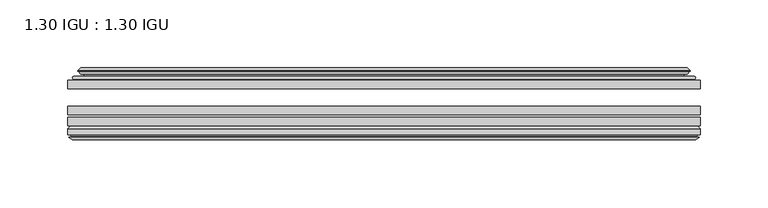
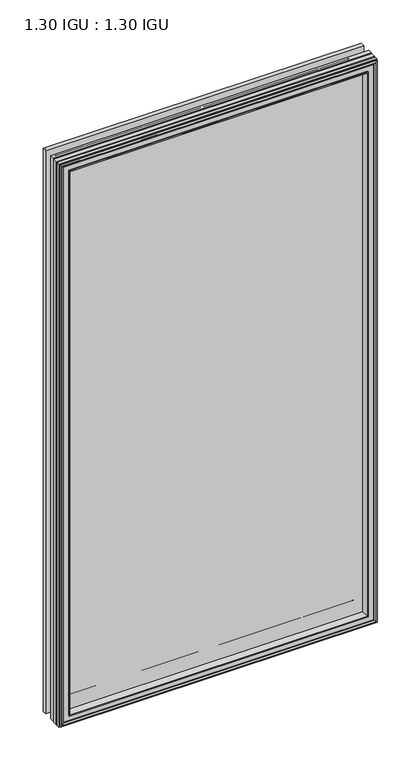
"""IFC4 building model written with IfcOpenShell, lengths in millimetres: plate geometry, 1.30 IGU : 1.30 IGU."""

from ifc_helpers import new_model, si_unit, frame, origin, place, context, project, spatial, polyline, ellipse_curve, outline, extrude, faceted_brep, source, transform, mapped, element, save
from ifc_brep_helpers import plane_surface, cylinder_surface, revolved_surface, advanced_brep


def plate_1_30_igu_1_30_igu_1c3c0abe(model_context):
    return source(origin(), model_context, "Body", "SolidModel", [
        extrude(outline(polyline([(233.2796782, -44.92625), (233.2796782, -51.27625), (-233.346625, -51.27625), (-233.346625, -44.92625), (233.2796782, -44.92625)])), frame((0.0, 0.0, -14.2875), z_axis=(0.0, 0.0, 1.0), x_axis=(1.0, 0.0, 0.0)), (0.0, 0.0, 1.0), 873.125),
        extrude(outline(polyline([(-233.346625, -78.58125), (-233.346625, -72.23125), (233.2796782, -72.23125), (233.2796782, -78.58125), (-233.346625, -78.58125)])), frame((0.0, 0.0, -14.2875), z_axis=(0.0, 0.0, 1.0), x_axis=(1.0, 0.0, 0.0)), (0.0, 0.0, 1.0), 873.125),
        extrude(outline(polyline([(-233.346625, -70.32625), (-233.346625, -63.97625), (233.2796782, -63.97625), (233.2796782, -70.32625), (-233.346625, -70.32625)])), frame((0.0, 0.0, -14.2875), z_axis=(0.0, 0.0, 1.0), x_axis=(1.0, 0.0, 0.0)), (0.0, 0.0, 1.0), 873.125),
        advanced_brep(
        [(-215.0114152, -43.8351483, 840.5022902), (-215.4532254, -44.92625, 840.9441004), (-215.4532254, -44.92625, 3.6058996), (-215.0114152, -43.8351483, 4.0477098), (-219.059125, -36.11245, 844.55), (-219.059125, -36.11245, 0.0), (-224.2450359, -37.2935491, 849.7359109), (-224.2450359, -37.2935491, -5.1859109), (-223.9154606, -36.4664324, 849.4063356), (-223.9154606, -36.4664324, -4.8563356), (-223.9154606, -35.6521812, 849.4063356), (-223.9154606, -35.6521812, -4.8563356), (-225.7317361, -37.610817, 851.2226111), (-225.7317361, -37.610817, -6.6726111), (-225.7317361, -38.3239429, 851.2226111), (-225.7317361, -38.3239429, -6.6726111), (-223.9154606, -40.2727974, 849.4063356), (-223.9154606, -40.2727974, -4.8563356), (-223.9154606, -39.4683275, 849.4063356), (-223.9154606, -39.4683275, -4.8563356), (-224.2373751, -38.6604367, 849.7282501), (-224.2373751, -38.6604367, -5.1782501), (-221.7135629, -38.502045, 847.2044379), (-221.7135629, -38.502045, -2.6544379), (-220.6877467, -39.1897544, 846.1786217), (-220.6877467, -39.1897544, -1.6286217), (-220.8061538, -40.5842231, 846.2970288), (-220.8061538, -40.5842231, -1.7470288), (-221.4078998, -42.08145, 846.8987748), (-221.4078998, -42.08145, -2.3487748), (-229.3336803, -43.9898729, 854.8245553), (-228.8480495, -42.08145, 854.3389245), (-228.8480495, -42.08145, -9.7889245), (-229.3336803, -43.9898729, -10.2745553), (-227.6129405, -44.92625, 853.1038155), (-227.6129405, -44.92625, -8.5538155), (215.4532254, -44.92625, 3.6058996), (215.0114152, -43.8351483, 4.0477098), (219.059125, -36.11245, 0.0), (224.2450359, -37.2935491, -5.1859109), (223.9154606, -36.4664324, -4.8563356), (223.9154606, -35.6521812, -4.8563356), (225.7317361, -37.610817, -6.6726111), (225.7317361, -38.3239429, -6.6726111), (223.9154606, -40.2727974, -4.8563356), (223.9154606, -39.4683275, -4.8563356), (224.2373751, -38.6604367, -5.1782501), (221.7135629, -38.502045, -2.6544379), (220.6877467, -39.1897544, -1.6286217), (220.8061538, -40.5842231, -1.7470288), (221.4078998, -42.08145, -2.3487748), (228.8480495, -42.08145, -9.7889245), (229.3336803, -43.9898729, -10.2745553), (227.6129405, -44.92625, -8.5538155), (215.4532254, -44.92625, 840.9441004), (215.0114152, -43.8351483, 840.5022902), (219.059125, -36.11245, 844.55), (224.2450359, -37.2935491, 849.7359109), (223.9154606, -36.4664324, 849.4063356), (223.9154606, -35.6521812, 849.4063356), (225.7317361, -37.610817, 851.2226111), (225.7317361, -38.3239429, 851.2226111), (223.9154606, -40.2727974, 849.4063356), (223.9154606, -39.4683275, 849.4063356), (224.2373751, -38.6604367, 849.7282501), (221.7135629, -38.502045, 847.2044379), (220.6877467, -39.1897544, 846.1786217), (220.8061538, -40.5842231, 846.2970288), (221.4078998, -42.08145, 846.8987748), (228.8480495, -42.08145, 854.3389245), (229.3336803, -43.9898729, 854.8245553), (227.6129405, -44.92625, 853.1038155)],
        [
            (0, 1, ellipse_curve(frame((-215.4532254, -44.29125, 840.9441004), z_axis=(-0.7071067811865475, 0.0, -0.7071067811865475), x_axis=(-0.7071067811865474, 0.0, 0.7071067811865476)), 0.8980256, 0.635)),
            (1, 2),
            (2, 3, ellipse_curve(frame((-215.4532254, -44.29125, 3.6058996), z_axis=(-0.7071067811865475, 0.0, 0.7071067811865475), x_axis=(0.7071067811865474, 0.0, 0.7071067811865476)), 0.8980256, 0.635)),
            (3, 0),
            (4, 0, ellipse_curve(frame((-205.3263304, -33.8367745, 830.8172054), z_axis=(0.7071067811865475, 0.0, 0.7071067811865475), x_axis=(0.7071067811865474, 0.0, -0.7071067811865476)), 19.6859517, 13.9200699)),
            (3, 5, ellipse_curve(frame((-205.3263304, -33.8367745, 13.7327946), z_axis=(0.7071067811865475, 0.0, -0.7071067811865475), x_axis=(-0.7071067811865474, 0.0, -0.7071067811865476)), 19.6859517, 13.9200699)),
            (5, 4),
            (6, 4),
            (5, 7),
            (7, 6),
            (8, 6),
            (7, 9),
            (9, 8),
            (10, 8),
            (9, 11),
            (11, 10),
            (12, 10),
            (11, 13),
            (13, 12),
            (14, 12, ellipse_curve(frame((-225.3698979, -37.96738, 850.8607729), z_axis=(-0.7071067811865475, 0.0, -0.7071067811865475), x_axis=(-0.7071067811865474, 0.0, 0.7071067811865476)), 0.7184205, 0.508)),
            (13, 15, ellipse_curve(frame((-225.3698979, -37.96738, -6.3107729), z_axis=(-0.7071067811865475, 0.0, 0.7071067811865475), x_axis=(0.7071067811865474, 0.0, 0.7071067811865476)), 0.7184205, 0.508)),
            (15, 14),
            (16, 14),
            (15, 17),
            (17, 16),
            (18, 16),
            (17, 19),
            (19, 18),
            (20, 18),
            (19, 21),
            (21, 20),
            (22, 20),
            (21, 23),
            (23, 22),
            (24, 22, ellipse_curve(frame((-221.649925, -39.51605, 847.1408), z_axis=(0.7071067811865475, 0.0, 0.7071067811865475), x_axis=(0.7071067811865474, 0.0, -0.7071067811865476)), 1.436841, 1.016)),
            (23, 25, ellipse_curve(frame((-221.649925, -39.51605, -2.5908), z_axis=(0.7071067811865475, 0.0, -0.7071067811865475), x_axis=(-0.7071067811865474, 0.0, -0.7071067811865476)), 1.436841, 1.016)),
            (25, 24),
            (26, 24, ellipse_curve(frame((-223.021525, -39.69385, 848.5124), z_axis=(0.7071067811865475, 0.0, 0.7071067811865475), x_axis=(0.7071067811865474, 0.0, -0.7071067811865476)), 3.3765763, 2.3876)),
            (25, 27, ellipse_curve(frame((-223.021525, -39.69385, -3.9624), z_axis=(0.7071067811865475, 0.0, -0.7071067811865475), x_axis=(-0.7071067811865474, 0.0, -0.7071067811865476)), 3.3765763, 2.3876)),
            (27, 26),
            (28, 26),
            (27, 29),
            (29, 28),
            (30, 31, ellipse_curve(frame((-228.8480495, -43.09745, 854.3389245), z_axis=(-0.7071067811865475, 0.0, -0.7071067811865475), x_axis=(-0.7071067811865474, 0.0, 0.7071067811865476)), 1.436841, 1.016)),
            (31, 32),
            (32, 33, ellipse_curve(frame((-228.8480495, -43.09745, -9.7889245), z_axis=(-0.7071067811865475, 0.0, 0.7071067811865475), x_axis=(0.7071067811865474, 0.0, 0.7071067811865476)), 1.436841, 1.016)),
            (33, 30),
            (34, 30),
            (33, 35),
            (35, 34),
            (2, 36),
            (36, 37, ellipse_curve(frame((215.4532254, -44.29125, 3.6058996), z_axis=(-0.7071067811865475, 0.0, -0.7071067811865475), x_axis=(-0.7071067811865476, 0.0, 0.7071067811865474)), 0.8980256, 0.635)),
            (37, 3),
            (37, 38, ellipse_curve(frame((205.3263304, -33.8367745, 13.7327946), z_axis=(0.7071067811865475, 0.0, 0.7071067811865475), x_axis=(0.7071067811865476, 0.0, -0.7071067811865474)), 19.6859517, 13.9200699)),
            (38, 5),
            (38, 39),
            (39, 7),
            (39, 40),
            (40, 9),
            (40, 41),
            (41, 11),
            (41, 42),
            (42, 13),
            (42, 43, ellipse_curve(frame((225.3698979, -37.96738, -6.3107729), z_axis=(-0.7071067811865475, 0.0, -0.7071067811865475), x_axis=(-0.7071067811865476, 0.0, 0.7071067811865474)), 0.7184205, 0.508)),
            (43, 15),
            (43, 44),
            (44, 17),
            (44, 45),
            (45, 19),
            (45, 46),
            (46, 21),
            (46, 47),
            (47, 23),
            (47, 48, ellipse_curve(frame((221.649925, -39.51605, -2.5908), z_axis=(0.7071067811865475, 0.0, 0.7071067811865475), x_axis=(0.7071067811865476, 0.0, -0.7071067811865474)), 1.436841, 1.016)),
            (48, 25),
            (48, 49, ellipse_curve(frame((223.021525, -39.69385, -3.9624), z_axis=(0.7071067811865475, 0.0, 0.7071067811865475), x_axis=(0.7071067811865476, 0.0, -0.7071067811865474)), 3.3765763, 2.3876)),
            (49, 27),
            (49, 50),
            (50, 29),
            (32, 51),
            (51, 52, ellipse_curve(frame((228.8480495, -43.09745, -9.7889245), z_axis=(-0.7071067811865475, 0.0, -0.7071067811865475), x_axis=(-0.7071067811865476, 0.0, 0.7071067811865474)), 1.436841, 1.016)),
            (52, 33),
            (52, 53),
            (53, 35),
            (36, 54),
            (54, 55, ellipse_curve(frame((215.4532254, -44.29125, 840.9441004), z_axis=(0.7071067811865475, 0.0, -0.7071067811865475), x_axis=(-0.7071067811865474, 0.0, -0.7071067811865476)), 0.8980256, 0.635)),
            (55, 37),
            (55, 56, ellipse_curve(frame((205.3263304, -33.8367745, 830.8172054), z_axis=(-0.7071067811865475, 0.0, 0.7071067811865475), x_axis=(0.7071067811865474, 0.0, 0.7071067811865476)), 19.6859517, 13.9200699)),
            (56, 38),
            (56, 57),
            (57, 39),
            (57, 58),
            (58, 40),
            (58, 59),
            (59, 41),
            (59, 60),
            (60, 42),
            (60, 61, ellipse_curve(frame((225.3698979, -37.96738, 850.8607729), z_axis=(0.7071067811865475, 0.0, -0.7071067811865475), x_axis=(-0.7071067811865474, 0.0, -0.7071067811865476)), 0.7184205, 0.508)),
            (61, 43),
            (61, 62),
            (62, 44),
            (62, 63),
            (63, 45),
            (63, 64),
            (64, 46),
            (64, 65),
            (65, 47),
            (65, 66, ellipse_curve(frame((221.649925, -39.51605, 847.1408), z_axis=(-0.7071067811865475, 0.0, 0.7071067811865475), x_axis=(0.7071067811865474, 0.0, 0.7071067811865476)), 1.436841, 1.016)),
            (66, 48),
            (66, 67, ellipse_curve(frame((223.021525, -39.69385, 848.5124), z_axis=(-0.7071067811865475, 0.0, 0.7071067811865475), x_axis=(0.7071067811865474, 0.0, 0.7071067811865476)), 3.3765763, 2.3876)),
            (67, 49),
            (67, 68),
            (68, 50),
            (51, 69),
            (69, 70, ellipse_curve(frame((228.8480495, -43.09745, 854.3389245), z_axis=(0.7071067811865475, 0.0, -0.7071067811865475), x_axis=(-0.7071067811865474, 0.0, -0.7071067811865476)), 1.436841, 1.016)),
            (70, 52),
            (70, 71),
            (71, 53),
            (54, 1),
            (0, 55),
            (4, 56),
            (6, 57),
            (8, 58),
            (10, 59),
            (12, 60),
            (14, 61),
            (16, 62),
            (18, 63),
            (20, 64),
            (22, 65),
            (24, 66),
            (26, 67),
            (28, 68),
            (31, 69),
            (30, 70),
            (34, 71),
        ],
        [
            cylinder_surface(frame((-215.4532254, -44.29125, 876.3), z_axis=(0.0, 0.0, 1.0), x_axis=(-1.0, 0.0, 0.0)), 0.635),
            revolved_surface(polyline([(-219.24640029999998, -33.8367745, -0.18727534118079348), (-219.24640029999998, -33.8367745, 844.7372753411809)]), (-205.3263304, -33.8367745, 876.3), (0.0, 0.0, -1.0)),
            plane_surface(frame((-219.059125, -36.11245, 844.55), z_axis=(-0.22206498442778658, 0.975031867525922, 0.0), x_axis=(0.0, 0.0, -1.0))),
            plane_surface(frame((-224.2450359, -37.2935491, 849.7359109), z_axis=(0.9289682685629922, -0.3701593656833182, 0.0), x_axis=(0.0, 0.0, -1.0))),
            plane_surface(frame((-223.9154606, -36.4664324, 849.4063356), z_axis=(1.0, 0.0, 0.0), x_axis=(0.0, 0.0, -1.0))),
            plane_surface(frame((-223.9154606, -35.6521812, 849.4063356), z_axis=(-0.7332521292723956, 0.6799568478348447, 0.0), x_axis=(0.0, 0.0, -1.0))),
            cylinder_surface(frame((-225.3698979, -37.96738, 876.3), z_axis=(0.0, 0.0, 1.0), x_axis=(-1.0, 0.0, 0.0)), 0.508),
            plane_surface(frame((-225.7317361, -38.3239429, 851.2226111), z_axis=(-0.7315522693036389, -0.6817853601220082, 0.0), x_axis=(0.0, 0.0, -1.0))),
            plane_surface(frame((-223.9154606, -40.2727974, 849.4063356), z_axis=(1.0, 0.0, 0.0), x_axis=(0.0, 0.0, -1.0))),
            plane_surface(frame((-223.9154606, -39.4683275, 849.4063356), z_axis=(0.9289682685631103, 0.37015936568302166, 0.0), x_axis=(0.0, 0.0, -1.0))),
            plane_surface(frame((-224.2373751, -38.6604367, 849.7282501), z_axis=(0.06263570119321644, -0.9980364567169048, 0.0), x_axis=(0.0, 0.0, -1.0))),
            revolved_surface(polyline([(-222.665925, -39.51605, -3.606800014586838), (-222.665925, -39.51605, 848.1568000145869)]), (-221.649925, -39.51605, 876.3), (0.0, 0.0, -1.0)),
            revolved_surface(polyline([(-225.409125, -39.69385, -6.3499999989237494), (-225.409125, -39.69385, 850.8999999989237)]), (-223.021525, -39.69385, 876.3), (0.0, 0.0, -1.0)),
            plane_surface(frame((-220.8061538, -40.5842231, 846.2970288), z_axis=(-0.9278652925428912, 0.372915538553028, 0.0), x_axis=(0.0, 0.0, -1.0))),
            cylinder_surface(frame((-228.8480495, -43.09745, 876.3), z_axis=(0.0, 0.0, 1.0), x_axis=(-1.0, 0.0, 0.0)), 1.016),
            plane_surface(frame((-229.3336803, -43.9898729, 854.8245553), z_axis=(-0.477983117370979, -0.8783690223979447, 0.0), x_axis=(0.0, 0.0, -1.0))),
            cylinder_surface(frame((-250.809125, -44.29125, 3.6058996), z_axis=(-1.0, 0.0, 0.0), x_axis=(0.0, 0.0, -1.0)), 0.635),
            revolved_surface(polyline([(219.2464003411808, -33.8367745, -0.1872752999999996), (-219.24640034118084, -33.8367745, -0.1872752999999996)]), (-250.809125, -33.8367745, 13.7327946), (1.0, 0.0, 0.0)),
            plane_surface(frame((-219.059125, -36.11245, 0.0), z_axis=(0.0, 0.9750318675259213, -0.22206498442778974), x_axis=(1.0, 0.0, 0.0))),
            plane_surface(frame((-224.2450359, -37.2935491, -5.1859109), z_axis=(0.0, -0.3701593656833152, 0.9289682685629934), x_axis=(1.0, 0.0, 0.0))),
            plane_surface(frame((-223.9154606, -36.4664324, -4.8563356), z_axis=(0.0, 0.0, 1.0), x_axis=(1.0, 0.0, 0.0))),
            plane_surface(frame((-223.9154606, -35.6521812, -4.8563356), z_axis=(0.0, 0.6799568478348423, -0.7332521292723978), x_axis=(1.0, 0.0, 0.0))),
            cylinder_surface(frame((-250.809125, -37.96738, -6.3107729), z_axis=(-1.0, 0.0, 0.0), x_axis=(0.0, 0.0, -1.0)), 0.508),
            plane_surface(frame((-225.7317361, -38.3239429, -6.6726111), z_axis=(0.0, -0.6817853601220105, -0.7315522693036367), x_axis=(1.0, 0.0, 0.0))),
            plane_surface(frame((-223.9154606, -40.2727974, -4.8563356), z_axis=(0.0, 0.0, 1.0), x_axis=(1.0, 0.0, 0.0))),
            plane_surface(frame((-223.9154606, -39.4683275, -4.8563356), z_axis=(0.0, 0.37015936568302465, 0.9289682685631091), x_axis=(1.0, 0.0, 0.0))),
            plane_surface(frame((-224.2373751, -38.6604367, -5.1782501), z_axis=(0.0, -0.9980364567169046, 0.06263570119321968), x_axis=(1.0, 0.0, 0.0))),
            revolved_surface(polyline([(222.66592501458683, -39.51605, -3.6068000000000002), (-222.66592501458686, -39.51605, -3.6068000000000002)]), (-250.809125, -39.51605, -2.5908), (1.0, 0.0, 0.0)),
            revolved_surface(polyline([(225.4091249989238, -39.69385, -6.35), (-225.40912499892377, -39.69385, -6.35)]), (-250.809125, -39.69385, -3.9624), (1.0, 0.0, 0.0)),
            plane_surface(frame((-220.8061538, -40.5842231, -1.7470288), z_axis=(0.0, 0.372915538553025, -0.9278652925428924), x_axis=(1.0, 0.0, 0.0))),
            cylinder_surface(frame((-250.809125, -43.09745, -9.7889245), z_axis=(-1.0, 0.0, 0.0), x_axis=(0.0, 0.0, -1.0)), 1.016),
            plane_surface(frame((-229.3336803, -43.9898729, -10.2745553), z_axis=(0.0, -0.8783690223979462, -0.47798311737097615), x_axis=(1.0, 0.0, 0.0))),
            cylinder_surface(frame((215.4532254, -44.29125, -31.75), z_axis=(0.0, 0.0, -1.0), x_axis=(1.0, 0.0, 0.0)), 0.635),
            revolved_surface(polyline([(219.24640029999998, -33.8367745, 844.7372753411809), (219.24640029999998, -33.8367745, -0.1872753411808432)]), (205.3263304, -33.8367745, -31.75), (0.0, 0.0, 1.0)),
            plane_surface(frame((219.059125, -36.11245, 0.0), z_axis=(0.22206498442779288, 0.9750318675259205, 0.0), x_axis=(0.0, 0.0, 1.0))),
            plane_surface(frame((224.2450359, -37.2935491, -5.1859109), z_axis=(-0.9289682685629946, -0.3701593656833122, 0.0), x_axis=(0.0, 0.0, 1.0))),
            plane_surface(frame((223.9154606, -36.4664324, -4.8563356), z_axis=(-1.0, 0.0, 0.0), x_axis=(0.0, 0.0, 1.0))),
            plane_surface(frame((223.9154606, -35.6521812, -4.8563356), z_axis=(0.7332521292724, 0.67995684783484, 0.0), x_axis=(0.0, 0.0, 1.0))),
            cylinder_surface(frame((225.3698979, -37.96738, -31.75), z_axis=(0.0, 0.0, -1.0), x_axis=(1.0, 0.0, 0.0)), 0.508),
            plane_surface(frame((225.7317361, -38.3239429, -6.6726111), z_axis=(0.7315522693036345, -0.6817853601220129, 0.0), x_axis=(0.0, 0.0, 1.0))),
            plane_surface(frame((223.9154606, -40.2727974, -4.8563356), z_axis=(-1.0, 0.0, 0.0), x_axis=(0.0, 0.0, 1.0))),
            plane_surface(frame((223.9154606, -39.4683275, -4.8563356), z_axis=(-0.928968268563108, 0.3701593656830277, 0.0), x_axis=(0.0, 0.0, 1.0))),
            plane_surface(frame((224.2373751, -38.6604367, -5.1782501), z_axis=(-0.06263570119322291, -0.9980364567169043, 0.0), x_axis=(0.0, 0.0, 1.0))),
            revolved_surface(polyline([(222.665925, -39.51605, 848.1568000145869), (222.665925, -39.51605, -3.606800014586863)]), (221.649925, -39.51605, -31.75), (0.0, 0.0, 1.0)),
            revolved_surface(polyline([(225.409125, -39.69385, 850.8999999989237), (225.409125, -39.69385, -6.349999998923781)]), (223.021525, -39.69385, -31.75), (0.0, 0.0, 1.0)),
            plane_surface(frame((220.8061538, -40.5842231, -1.7470288), z_axis=(0.9278652925428936, 0.372915538553022, 0.0), x_axis=(0.0, 0.0, 1.0))),
            cylinder_surface(frame((228.8480495, -43.09745, -31.75), z_axis=(0.0, 0.0, -1.0), x_axis=(1.0, 0.0, 0.0)), 1.016),
            plane_surface(frame((229.3336803, -43.9898729, -10.2745553), z_axis=(0.4779831173709733, -0.8783690223979478, 0.0), x_axis=(0.0, 0.0, 1.0))),
            cylinder_surface(frame((250.809125, -44.29125, 840.9441004), z_axis=(1.0, 0.0, 0.0), x_axis=(0.0, 0.0, 1.0)), 0.635),
            revolved_surface(polyline([(-219.2464003411808, -33.8367745, 844.7372753000001), (219.24640034118084, -33.8367745, 844.7372753000001)]), (250.809125, -33.8367745, 830.8172054), (-1.0, 0.0, 0.0)),
            plane_surface(frame((219.059125, -36.11245, 844.55), z_axis=(0.0, 0.9750318675259212, 0.2220649844277897), x_axis=(-1.0, 0.0, 0.0))),
            plane_surface(frame((224.2450359, -37.2935491, 849.7359109), z_axis=(0.0, -0.3701593656833152, -0.9289682685629934), x_axis=(-1.0, 0.0, 0.0))),
            plane_surface(frame((223.9154606, -36.4664324, 849.4063356), z_axis=(0.0, 0.0, -1.0), x_axis=(-1.0, 0.0, 0.0))),
            plane_surface(frame((223.9154606, -35.6521812, 849.4063356), z_axis=(0.0, 0.6799568478348423, 0.7332521292723978), x_axis=(-1.0, 0.0, 0.0))),
            cylinder_surface(frame((250.809125, -37.96738, 850.8607729), z_axis=(1.0, 0.0, 0.0), x_axis=(0.0, 0.0, 1.0)), 0.508),
            plane_surface(frame((225.7317361, -38.3239429, 851.2226111), z_axis=(0.0, -0.6817853601220105, 0.7315522693036367), x_axis=(-1.0, 0.0, 0.0))),
            plane_surface(frame((223.9154606, -40.2727974, 849.4063356), z_axis=(0.0, 0.0, -1.0), x_axis=(-1.0, 0.0, 0.0))),
            plane_surface(frame((223.9154606, -39.4683275, 849.4063356), z_axis=(0.0, 0.3701593656830247, -0.9289682685631092), x_axis=(-1.0, 0.0, 0.0))),
            plane_surface(frame((224.2373751, -38.6604367, 849.7282501), z_axis=(0.0, -0.9980364567169046, -0.06263570119321968), x_axis=(-1.0, 0.0, 0.0))),
            revolved_surface(polyline([(-222.66592501458683, -39.51605, 848.1568), (222.66592501458686, -39.51605, 848.1568)]), (250.809125, -39.51605, 847.1408), (-1.0, 0.0, 0.0)),
            revolved_surface(polyline([(-225.4091249989238, -39.69385, 850.9), (225.40912499892377, -39.69385, 850.9)]), (250.809125, -39.69385, 848.5124), (-1.0, 0.0, 0.0)),
            plane_surface(frame((220.8061538, -40.5842231, 846.2970288), z_axis=(0.0, 0.372915538553025, 0.9278652925428924), x_axis=(-1.0, 0.0, 0.0))),
            plane_surface(frame((221.4078998, -42.08145, 846.8987748), z_axis=(0.0, 1.0, 0.0), x_axis=(-1.0, 0.0, 0.0))),
            cylinder_surface(frame((250.809125, -43.09745, 854.3389245), z_axis=(1.0, 0.0, 0.0), x_axis=(0.0, 0.0, 1.0)), 1.016),
            plane_surface(frame((229.3336803, -43.9898729, 854.8245553), z_axis=(0.0, -0.8783690223979462, 0.47798311737097615), x_axis=(-1.0, 0.0, 0.0))),
            plane_surface(frame((227.6129405, -44.92625, 853.1038155), z_axis=(0.0, -1.0, 0.0), x_axis=(-1.0, 0.0, 0.0))),
        ],
        [
            (0, [[1, 2, 3, 4]]),
            (1, [[5, -4, 6, 7]]),
            (2, [[8, -7, 9, 10]]),
            (3, [[11, -10, 12, 13]]),
            (4, [[14, -13, 15, 16]]),
            (5, [[17, -16, 18, 19]]),
            (6, [[20, -19, 21, 22]]),
            (7, [[23, -22, 24, 25]]),
            (8, [[26, -25, 27, 28]]),
            (9, [[29, -28, 30, 31]]),
            (10, [[32, -31, 33, 34]]),
            (11, [[35, -34, 36, 37]]),
            (12, [[38, -37, 39, 40]]),
            (13, [[41, -40, 42, 43]]),
            (14, [[44, 45, 46, 47]]),
            (15, [[48, -47, 49, 50]]),
            (16, [[-3, 51, 52, 53]]),
            (17, [[-6, -53, 54, 55]]),
            (18, [[-9, -55, 56, 57]]),
            (19, [[-12, -57, 58, 59]]),
            (20, [[-15, -59, 60, 61]]),
            (21, [[-18, -61, 62, 63]]),
            (22, [[-21, -63, 64, 65]]),
            (23, [[-24, -65, 66, 67]]),
            (24, [[-27, -67, 68, 69]]),
            (25, [[-30, -69, 70, 71]]),
            (26, [[-33, -71, 72, 73]]),
            (27, [[-36, -73, 74, 75]]),
            (28, [[-39, -75, 76, 77]]),
            (29, [[-42, -77, 78, 79]]),
            (30, [[-46, 80, 81, 82]]),
            (31, [[-49, -82, 83, 84]]),
            (32, [[-52, 85, 86, 87]]),
            (33, [[-54, -87, 88, 89]]),
            (34, [[-56, -89, 90, 91]]),
            (35, [[-58, -91, 92, 93]]),
            (36, [[-60, -93, 94, 95]]),
            (37, [[-62, -95, 96, 97]]),
            (38, [[-64, -97, 98, 99]]),
            (39, [[-66, -99, 100, 101]]),
            (40, [[-68, -101, 102, 103]]),
            (41, [[-70, -103, 104, 105]]),
            (42, [[-72, -105, 106, 107]]),
            (43, [[-74, -107, 108, 109]]),
            (44, [[-76, -109, 110, 111]]),
            (45, [[-78, -111, 112, 113]]),
            (46, [[-81, 114, 115, 116]]),
            (47, [[-83, -116, 117, 118]]),
            (48, [[-86, 119, -1, 120]]),
            (49, [[-88, -120, -5, 121]]),
            (50, [[-90, -121, -8, 122]]),
            (51, [[-92, -122, -11, 123]]),
            (52, [[-94, -123, -14, 124]]),
            (53, [[-96, -124, -17, 125]]),
            (54, [[-98, -125, -20, 126]]),
            (55, [[-100, -126, -23, 127]]),
            (56, [[-102, -127, -26, 128]]),
            (57, [[-104, -128, -29, 129]]),
            (58, [[-106, -129, -32, 130]]),
            (59, [[-108, -130, -35, 131]]),
            (60, [[-110, -131, -38, 132]]),
            (61, [[-112, -132, -41, 133]]),
            (62, [[134, -114, -80, -45], [-79, -113, -133, -43]]),
            (63, [[-115, -134, -44, 135]]),
            (64, [[-117, -135, -48, 136]]),
            (65, [[-84, -118, -136, -50], [-119, -85, -51, -2]]),
        ],
    ),
        faceted_brep([(-215.2049077, -78.58125, 840.6957827), (-217.7712048, -87.47125, 843.2620798), (-217.7712048, -87.47125, 1.2879202), (-215.2049077, -78.58125, 3.8542173), (-233.359325, -80.7883102, 858.8502), (-231.1522648, -78.58125, 856.6431398), (-231.1522648, -78.58125, -12.0931398), (-233.359325, -80.7883102, -14.3002), (-233.359325, -84.93125, 858.8502), (-233.359325, -84.93125, -14.3002), (-230.9403025, -86.11489, 856.4311775), (-231.7794932, -84.93125, 857.2703682), (-231.7794932, -84.93125, -12.7203682), (-230.9403025, -86.11489, -11.8811775), (-230.743125, -87.4125884, 856.234), (-230.743125, -87.4125884, -11.684), (-231.718785, -86.8828917, 857.20966), (-231.718785, -86.8828917, -12.65966), (-230.184325, -88.6999663, 855.6752), (-232.5114555, -86.8828917, 858.0023305), (-232.5114555, -86.8828917, -13.4523305), (-230.184325, -88.6999663, -11.1252), (-227.8571945, -86.8828917, 853.3480695), (-227.8571945, -86.8828917, -8.7980695), (-229.625525, -87.4125884, 855.1164), (-228.649865, -86.8828917, 854.14074), (-228.649865, -86.8828917, -9.59074), (-229.625525, -87.4125884, -10.5664), (-229.4283475, -86.11489, 854.9192225), (-229.4283475, -86.11489, -10.3692225), (-228.558725, -84.93125, 854.0496), (-228.558725, -84.93125, -9.4996), (-219.4104917, -87.47125, 844.9013667), (-218.881325, -84.93125, 844.3722), (-218.881325, -84.93125, 0.1778), (-219.4104917, -87.47125, -0.3513667), (217.7712048, -87.47125, 1.2879202), (215.2049077, -78.58125, 3.8542173), (231.1522648, -78.58125, -12.0931398), (233.359325, -80.7883102, -14.3002), (233.359325, -84.93125, -14.3002), (231.7794932, -84.93125, -12.7203682), (230.9403025, -86.11489, -11.8811775), (230.743125, -87.4125884, -11.684), (231.718785, -86.8828917, -12.65966), (232.5114555, -86.8828917, -13.4523305), (230.184325, -88.6999663, -11.1252), (227.8571945, -86.8828917, -8.7980695), (228.649865, -86.8828917, -9.59074), (229.625525, -87.4125884, -10.5664), (229.4283475, -86.11489, -10.3692225), (228.558725, -84.93125, -9.4996), (218.881325, -84.93125, 0.1778), (219.4104917, -87.47125, -0.3513667), (217.7712048, -87.47125, 843.2620798), (215.2049077, -78.58125, 840.6957827), (231.1522648, -78.58125, 856.6431398), (233.359325, -80.7883102, 858.8502), (233.359325, -84.93125, 858.8502), (231.7794932, -84.93125, 857.2703682), (230.9403025, -86.11489, 856.4311775), (230.743125, -87.4125884, 856.234), (231.718785, -86.8828917, 857.20966), (232.5114555, -86.8828917, 858.0023305), (230.184325, -88.6999663, 855.6752), (227.8571945, -86.8828917, 853.3480695), (228.649865, -86.8828917, 854.14074), (229.625525, -87.4125884, 855.1164), (229.4283475, -86.11489, 854.9192225), (228.558725, -84.93125, 854.0496), (218.881325, -84.93125, 844.3722), (219.4104917, -87.47125, 844.9013667)], [[[0, 1, 2, 3]], [[4, 5, 6, 7]], [[8, 4, 7, 9]], [[10, 11, 12, 13]], [[14, 10, 13, 15]], [[16, 14, 15, 17]], [[18, 19, 20, 21]], [[22, 18, 21, 23]], [[24, 25, 26, 27]], [[28, 24, 27, 29]], [[30, 28, 29, 31]], [[32, 33, 34, 35]], [[3, 2, 36, 37]], [[7, 6, 38, 39]], [[9, 7, 39, 40]], [[13, 12, 41, 42]], [[15, 13, 42, 43]], [[17, 15, 43, 44]], [[21, 20, 45, 46]], [[23, 21, 46, 47]], [[27, 26, 48, 49]], [[29, 27, 49, 50]], [[31, 29, 50, 51]], [[35, 34, 52, 53]], [[37, 36, 54, 55]], [[39, 38, 56, 57]], [[40, 39, 57, 58]], [[42, 41, 59, 60]], [[43, 42, 60, 61]], [[44, 43, 61, 62]], [[46, 45, 63, 64]], [[47, 46, 64, 65]], [[49, 48, 66, 67]], [[50, 49, 67, 68]], [[51, 50, 68, 69]], [[53, 52, 70, 71]], [[55, 54, 1, 0]], [[5, 56, 38, 6], [3, 37, 55, 0]], [[57, 56, 5, 4]], [[58, 57, 4, 8]], [[9, 40, 58, 8], [11, 59, 41, 12]], [[60, 59, 11, 10]], [[61, 60, 10, 14]], [[62, 61, 14, 16]], [[19, 63, 45, 20], [17, 44, 62, 16]], [[64, 63, 19, 18]], [[65, 64, 18, 22]], [[25, 66, 48, 26], [23, 47, 65, 22]], [[67, 66, 25, 24]], [[68, 67, 24, 28]], [[69, 68, 28, 30]], [[31, 51, 69, 30], [33, 70, 52, 34]], [[71, 70, 33, 32]], [[35, 53, 71, 32], [1, 54, 36, 2]]]),
    ])


if __name__ == "__main__":
    model = new_model("IFC4")
    model_context = context("Model", 3, world=origin())
    ifc_project = project(units=[si_unit("LENGTHUNIT", "METRE", prefix="MILLI")], contexts=[model_context])
    site = spatial("IfcSite", under=ifc_project)
    building = spatial("IfcBuilding", under=site)
    placement = place(None, origin())
    plate_1_30_igu_1_30_igu_shape = plate_1_30_igu_1_30_igu_1c3c0abe(model_context)
    element("IfcPlate", 1, ObjectType="1.30 IGU : 1.30 IGU", at=placement, inside=building, context=model_context, shape_type="MappedRepresentation", body=[
        mapped(plate_1_30_igu_1_30_igu_shape, transform((0.0, 0.0, 0.0), x_axis=(1.0, 0.0, 0.0), y_axis=(0.0, 1.0, 0.0), z_axis=(0.0, 0.0, 1.0))),
    ])
    save(model, "model.ifc")
